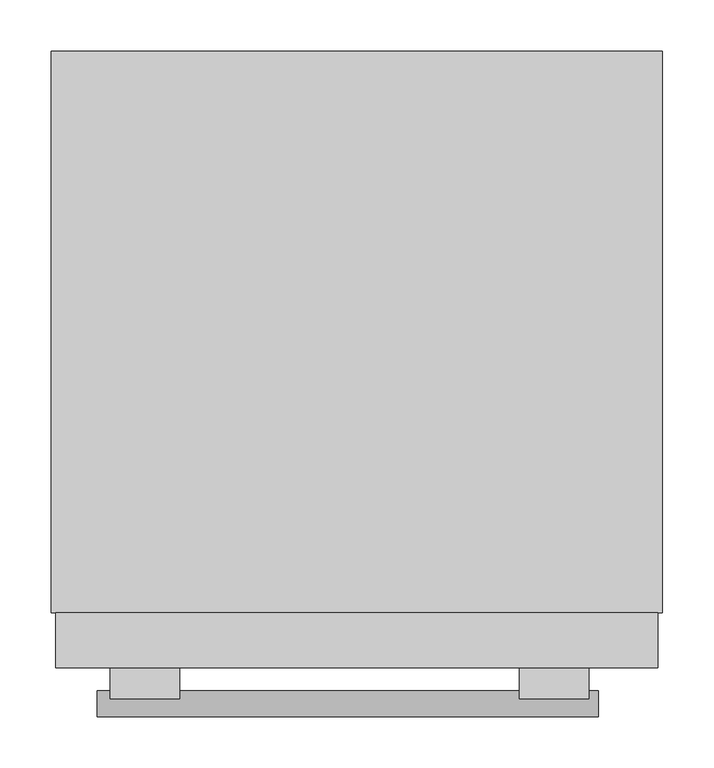
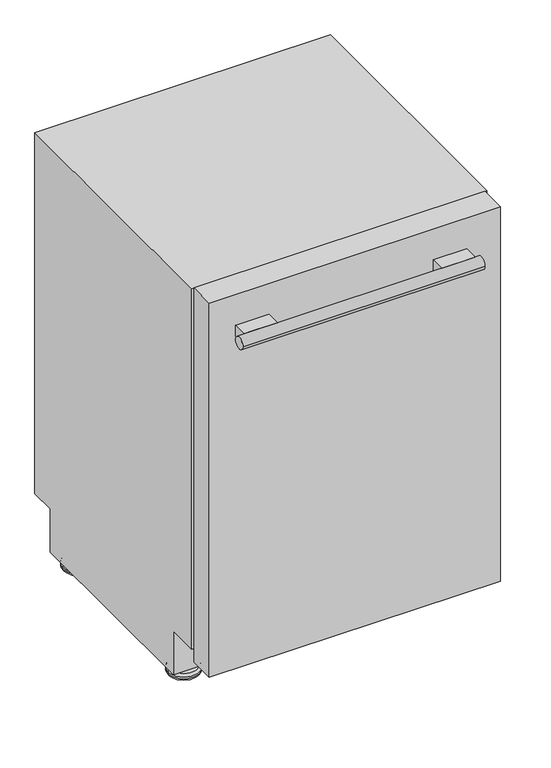
"""IFC4 building model written with IfcOpenShell, lengths in millimetres: proxy geometry."""

import ifcopenshell
import ifcopenshell.guid

model = None  # the IFC model being written
_history = None  # IfcOwnerHistory: only IFC2X3 demands one
_inside = {}  # id of a spatial element -> (the spatial element, [elements in it])
_under = {}  # id of a project, library or spatial element -> (it, [spatial elements below it])
_declared = {}  # id of a project -> (the project, [libraries it declares])
_typed = {}  # id of a type object -> (the type object, [elements of that type])
_made_of = {}  # id of a material, layer set ... -> (it, [elements and type objects made of it])


def new_model(schema):
    """Start an empty IFC model of exactly this schema.

    Asked for "IFC4X3", IfcOpenShell would pick the latest addendum, in which some entities
    have other attributes; the version numbers below select the first issue.
    IFC2X3 requires an IfcOwnerHistory on every rooted entity: one is made here for all.
    """
    global model, _history
    if schema == "IFC4X3":
        model = ifcopenshell.file(schema_version=(4, 3, 0, 0))
    else:
        model = ifcopenshell.file(schema=schema)
    _inside.clear()
    _under.clear()
    _declared.clear()
    _typed.clear()
    _made_of.clear()
    _history = None
    if model.schema == "IFC2X3":
        org = make("IfcOrganization", Name="unknown")
        user = make(
            "IfcPersonAndOrganization",
            ThePerson=make("IfcPerson", FamilyName="unknown"),
            TheOrganization=org,
        )
        app = make(
            "IfcApplication",
            ApplicationDeveloper=org,
            Version="unknown",
            ApplicationFullName="unknown",
            ApplicationIdentifier="unknown",
        )
        _history = make(
            "IfcOwnerHistory",
            OwningUser=user,
            OwningApplication=app,
            ChangeAction="ADDED",
            CreationDate=0,
        )
    return model


def make(cls, **values):
    """One entity of the class cls with the attributes given. An attribute that is None is left unset."""
    return model.create_entity(
        cls, **{name: value for name, value in values.items() if value is not None}
    )


def rooted(cls, **values):
    """An entity with a GlobalId (a new one), such as an element, a storey or a relation."""
    return make(cls, GlobalId=ifcopenshell.guid.new(), OwnerHistory=_history, **values)


def si_unit(unit_type, name, prefix=None):
    """IfcSIUnit, for example si_unit("LENGTHUNIT", "METRE", prefix="MILLI")."""
    return make("IfcSIUnit", UnitType=unit_type, Prefix=prefix, Name=name)


def assignment(units):
    """IfcUnitAssignment: the units of a project."""
    return None if units is None else make("IfcUnitAssignment", Units=units)


def point(xyz):
    """IfcCartesianPoint."""
    return None if xyz is None else make("IfcCartesianPoint", Coordinates=xyz)


def direction(xyz):
    """IfcDirection."""
    return None if xyz is None else make("IfcDirection", DirectionRatios=xyz)


def frame(location, z_axis=None, x_axis=None):
    """IfcAxis2Placement3D, a coordinate frame: its origin and axes. An axis left out is left unset."""
    return make(
        "IfcAxis2Placement3D",
        Location=point(location),
        Axis=direction(z_axis),
        RefDirection=direction(x_axis),
    )


def frame_2d(location, x_axis=None):
    """IfcAxis2Placement2D, a coordinate frame in the plane: its origin and x axis."""
    return make(
        "IfcAxis2Placement2D", Location=point(location), RefDirection=direction(x_axis)
    )


def origin():
    """The frame at (0, 0, 0) with its axes left unset."""
    return frame((0.0, 0.0, 0.0))


def place(relative_to, where):
    """IfcLocalPlacement: puts the frame where relative to a parent placement (None: the world)."""
    return make(
        "IfcLocalPlacement", PlacementRelTo=relative_to, RelativePlacement=where
    )


def context(
    kind, dimensions, precision=None, world=None, true_north=None, identifier=None
):
    """IfcGeometricRepresentationContext, for example the 3D "Model" context."""
    return make(
        "IfcGeometricRepresentationContext",
        ContextIdentifier=identifier,
        ContextType=kind,
        CoordinateSpaceDimension=dimensions,
        Precision=precision,
        WorldCoordinateSystem=world,
        TrueNorth=true_north,
    )


def project(units=None, contexts=None):
    """IfcProject with its units and contexts."""
    return rooted(
        "IfcProject",
        Name="project",
        RepresentationContexts=contexts,
        UnitsInContext=assignment(units),
    )


def spatial(cls, under=None, at=None, **own):
    """A site, building, storey or space (cls), placed at a placement, below another one or the project."""
    s = rooted(cls, ObjectPlacement=at, **own)
    if under is not None:
        _under.setdefault(under.id(), (under, []))[1].append(s)
    return s


def polyline(points):
    """IfcPolyline through the points."""
    return make("IfcPolyline", Points=[point(p) for p in points])


def circle_curve(where, radius):
    """IfcCircle in the frame where."""
    return make("IfcCircle", Position=where, Radius=radius)


def ellipse_curve(where, semi_axis1, semi_axis2):
    """IfcEllipse in the frame where."""
    return make(
        "IfcEllipse", Position=where, SemiAxis1=semi_axis1, SemiAxis2=semi_axis2
    )


def trimmed(basis, trim1, trim2, sense, master):
    """IfcTrimmedCurve: the piece of a basis curve between two trims."""
    return make(
        "IfcTrimmedCurve",
        BasisCurve=basis,
        Trim1=trim1,
        Trim2=trim2,
        SenseAgreement=sense,
        MasterRepresentation=master,
    )


def segment(curve, same_sense, transition):
    """IfcCompositeCurveSegment."""
    return make(
        "IfcCompositeCurveSegment",
        Transition=transition,
        SameSense=same_sense,
        ParentCurve=curve,
    )


def composite_curve(segments, self_intersect=None):
    """IfcCompositeCurve: segments joined end to end."""
    return make("IfcCompositeCurve", Segments=segments, SelfIntersect=self_intersect)


def outline(outer, holes=None, kind="AREA"):
    """IfcArbitraryClosedProfileDef: a profile drawn as a closed curve; with holes, ...WithVoids."""
    if holes is None:
        return make("IfcArbitraryClosedProfileDef", ProfileType=kind, OuterCurve=outer)
    return make(
        "IfcArbitraryProfileDefWithVoids",
        ProfileType=kind,
        OuterCurve=outer,
        InnerCurves=holes,
    )


def extrude(swept, where, along, depth):
    """IfcExtrudedAreaSolid: the profile swept, set in the frame where, extruded along a direction by depth."""
    return make(
        "IfcExtrudedAreaSolid",
        SweptArea=swept,
        Position=where,
        ExtrudedDirection=direction(along),
        Depth=depth,
    )


def faces_of(points, faces, orient=None, outer=None):
    """IfcFace entities. A face is a list of loops; a loop is a list of indices into points, from 0.

    orient and outer hold one flag for each loop. By default every Orientation is true, the
    first loop of a face is its IfcFaceOuterBound and the others are IfcFaceBound.
    """
    made = []
    for i, loops in enumerate(faces):
        bounds = []
        for j, loop in enumerate(loops):
            is_outer = j == 0 if outer is None else outer[i][j]
            bounds.append(
                make(
                    "IfcFaceOuterBound" if is_outer else "IfcFaceBound",
                    Bound=make("IfcPolyLoop", Polygon=[points[k] for k in loop]),
                    Orientation=True if orient is None else orient[i][j],
                )
            )
        made.append(make("IfcFace", Bounds=bounds))
    return made


def faceted_brep(points, faces, orient=None, outer=None, voids=None):
    """IfcFacetedBrep: a solid bounded by flat faces; with voids (closed shells), ...WithVoids."""
    shared = [point(p) for p in points]
    hull = make("IfcClosedShell", CfsFaces=faces_of(shared, faces, orient, outer))
    if voids is None:
        return make("IfcFacetedBrep", Outer=hull)
    return make(
        "IfcFacetedBrepWithVoids",
        Outer=hull,
        Voids=[
            make(cls, CfsFaces=faces_of(shared, fs, o, b)) for cls, fs, o, b in voids
        ],
    )


def shape(context_of_items, identifier, shape_type, items):
    """IfcShapeRepresentation: the items that make up one representation, for example the "Body"."""
    return make(
        "IfcShapeRepresentation",
        ContextOfItems=context_of_items,
        RepresentationIdentifier=identifier,
        RepresentationType=shape_type,
        Items=items,
    )


def source(mapping_origin, context_of_items, identifier, shape_type, items):
    """IfcRepresentationMap: a shape defined once, which mapped items show again and again."""
    return make(
        "IfcRepresentationMap",
        MappingOrigin=mapping_origin,
        MappedRepresentation=shape(context_of_items, identifier, shape_type, items),
    )


def transform(
    local_origin,
    x_axis=None,
    y_axis=None,
    z_axis=None,
    scale=None,
    scale2=None,
    scale3=None,
    uniform=True,
):
    """IfcCartesianTransformationOperator3D, or its non-uniform kind. x_axis, y_axis, z_axis: its Axis1, 2, 3."""
    if uniform:
        return make(
            "IfcCartesianTransformationOperator3D",
            Axis1=direction(x_axis),
            Axis2=direction(y_axis),
            LocalOrigin=point(local_origin),
            Scale=scale,
            Axis3=direction(z_axis),
        )
    return make(
        "IfcCartesianTransformationOperator3DnonUniform",
        Axis1=direction(x_axis),
        Axis2=direction(y_axis),
        LocalOrigin=point(local_origin),
        Scale=scale,
        Axis3=direction(z_axis),
        Scale2=scale2,
        Scale3=scale3,
    )


def mapped(mapping_source, mapping_target):
    """IfcMappedItem: shows the shape of a source again, moved by a transform."""
    return make(
        "IfcMappedItem", MappingSource=mapping_source, MappingTarget=mapping_target
    )


def made_of(thing, what):
    """Note that an element or type object is made of a material, layer set ...; save() writes the relation."""
    if what is not None:
        _made_of.setdefault(what.id(), (what, []))[1].append(thing)
    return thing


def element(
    cls,
    number,
    at=None,
    inside=None,
    cuts=None,
    type_object=None,
    material=None,
    context=None,
    identifier="Body",
    shape_type=None,
    held_by="IfcProductDefinitionShape",
    body=None,
    shapes=None,
    **own,
):
    """One element of the class cls, such as IfcWall. Its Tag is "e" and its number.

    at: its placement. inside: the storey or other place that contains it. cuts: it is an
    opening in that element (IfcRelVoidsElement). A single representation is given by context,
    identifier, shape_type and body (its items); several are given by shapes. held_by: the class
    of the entity that holds the representations. save() writes the other relations.
    """
    e = rooted(cls, Tag="e%d" % number, ObjectPlacement=at, **own)
    if body is not None:
        shapes = [shape(context, identifier, shape_type, body)]
    if shapes is not None:
        e.Representation = make(held_by, Representations=shapes)
    if inside is not None:
        _inside.setdefault(inside.id(), (inside, []))[1].append(e)
    if cuts is not None:
        rooted(
            "IfcRelVoidsElement", RelatingBuildingElement=cuts, RelatedOpeningElement=e
        )
    if type_object is not None:
        _typed.setdefault(type_object.id(), (type_object, []))[1].append(e)
    return made_of(e, material)


def aggregate(whole, parts):
    """IfcRelAggregates: a whole, such as a stair, and the parts it consists of."""
    return rooted("IfcRelAggregates", RelatingObject=whole, RelatedObjects=parts)


def save(model, path):
    """Write the relations noted so far, then the file.

    IfcRelAggregates (storeys below a building ...), IfcRelContainedInSpatialStructure (elements
    in a storey), IfcRelDefinesByType, IfcRelAssociatesMaterial and IfcRelDeclares: one each for
    every whole, place, type object, material and project.
    """
    for whole, parts in _under.values():
        aggregate(whole, parts)
    for where, things in _inside.values():
        rooted(
            "IfcRelContainedInSpatialStructure",
            RelatedElements=things,
            RelatingStructure=where,
        )
    for kind, things in _typed.values():
        rooted("IfcRelDefinesByType", RelatedObjects=things, RelatingType=kind)
    for what, things in _made_of.values():
        rooted("IfcRelAssociatesMaterial", RelatedObjects=things, RelatingMaterial=what)
    for by, libraries in _declared.values():
        rooted("IfcRelDeclares", RelatingContext=by, RelatedDefinitions=libraries)
    model.write(path)


def plane_surface(at):
    """IfcPlane: the flat surface through the origin of the frame at, square to its z axis."""
    return make("IfcPlane", Position=at)


def cylinder_surface(at, radius):
    """IfcCylindricalSurface: all points at the distance radius from the z axis of the frame at."""
    return make("IfcCylindricalSurface", Position=at, Radius=radius)


def revolved_surface(curve, axis_point, axis_direction):
    """IfcSurfaceOfRevolution: the curve turned about the line through axis_point along axis_direction."""
    return make(
        "IfcSurfaceOfRevolution",
        SweptCurve=make("IfcArbitraryOpenProfileDef", ProfileType="CURVE", Curve=curve),
        AxisPosition=make("IfcAxis1Placement", Location=point(axis_point), Axis=direction(axis_direction)),
    )


def advanced_brep(points, edges, surfaces, faces):
    """IfcAdvancedBrep: a solid bounded by faces that lie on surfaces and meet in shared edges.

    An edge is (start, end): straight between two places in points (the first is 0);
    or (start, end, curve); or (start, end, curve, False) where it runs against its curve.
    A face is (place in surfaces, loops), or (place, loops, False) where it looks against
    its surface's normal. A loop lists edges by number (the first is 1), with a minus sign
    where the edge is run from its end to its start. The first loop is the outer one.
    """
    corners = [point(p) for p in points]
    vertices = [make("IfcVertexPoint", VertexGeometry=c) for c in corners]
    made = []
    for start, end, *more in edges:
        made.append(
            make(
                "IfcEdgeCurve",
                EdgeStart=vertices[start],
                EdgeEnd=vertices[end],
                EdgeGeometry=more[0] if more else make("IfcPolyline", Points=[corners[start], corners[end]]),
                SameSense=more[1] if len(more) > 1 else True,
            )
        )
    hull = []
    for where, loops, *sense in faces:
        bounds = []
        for j, loop in enumerate(loops):
            ring = [make("IfcOrientedEdge", EdgeElement=made[abs(k) - 1], Orientation=k > 0) for k in loop]
            bounds.append(
                make(
                    "IfcFaceOuterBound" if j == 0 else "IfcFaceBound",
                    Bound=make("IfcEdgeLoop", EdgeList=ring),
                    Orientation=True,
                )
            )
        hull.append(make("IfcAdvancedFace", Bounds=bounds, FaceSurface=surfaces[where], SameSense=sense[0] if sense else True))
    return make("IfcAdvancedBrep", Outer=make("IfcClosedShell", CfsFaces=hull))


def specialty_equipment_7921b7c7(model_context):
    return source(origin(), model_context, "Body", "SolidModel", [
        extrude(outline(composite_curve([segment(trimmed(circle_curve(frame_2d((-336.8073027, 810.9661461)), 12.7), [point((-331.905439, 799.2502709))], [point((-331.905439, 822.6820214))], True, "CARTESIAN"), True, "CONTINUOUS"), segment(polyline([(-331.905439, 822.6820214), (-301.625, 822.6820214), (-301.625, 799.2502709), (-331.905439, 799.2502709)]), True, "CONTINUOUS")], self_intersect=False)), frame((159.0507653, 0.0, 0.0), z_axis=(1.0, 0.0, 0.0), x_axis=(0.0, 1.0, 0.0)), (0.0, 0.0, 1.0), 67.9617347),
        extrude(outline(composite_curve([segment(trimmed(circle_curve(frame_2d((-336.8073027, 810.9661461)), 12.7), [point((-331.905439, 799.2502709))], [point((-331.905439, 822.6820214))], True, "CARTESIAN"), True, "CONTINUOUS"), segment(polyline([(-331.905439, 822.6820214), (-301.625, 822.6820214), (-301.625, 799.2502709), (-331.905439, 799.2502709)]), True, "CONTINUOUS")], self_intersect=False)), frame((-241.3, 0.0, 0.0), z_axis=(1.0, 0.0, 0.0), x_axis=(0.0, 1.0, 0.0)), (0.0, 0.0, 1.0), 67.9617347),
        extrude(outline(composite_curve([segment(trimmed(circle_curve(frame_2d((-336.8073027, 810.9661461)), 12.7), [point((-349.5073027, 810.9661461))], [point((-324.1073027, 810.9661461))], False, "CARTESIAN"), True, "CONTINUOUS"), segment(trimmed(circle_curve(frame_2d((-336.8073027, 810.9661461)), 12.7), [point((-324.1073027, 810.9661461))], [point((-349.5073027, 810.9661461))], False, "CARTESIAN"), True, "CONTINUOUS")], self_intersect=False)), frame((-254.0, 0.0, 0.0), z_axis=(1.0, 0.0, 0.0), x_axis=(0.0, 1.0, 0.0)), (0.0, 0.0, 1.0), 490.4371813),
        advanced_brep(
        [(234.3141166, 215.9, 13.340945), (289.2462858, 215.9, 13.340945), (272.25625, 215.9, 13.340945), (251.3041524, 215.9, 13.340945), (230.0302012, 215.9, 9.0570296), (293.5302012, 215.9, 9.0570296), (230.0302012, 215.9, 5.2278023), (293.5302012, 215.9, 5.2278023), (235.2580036, 215.9, 0.0), (288.3023989, 215.9, 0.0), (261.7802012, 215.9, 0.0), (251.3041524, 215.9, 24.950763), (272.25625, 215.9, 24.950763), (261.7802012, 215.9, 24.950763)],
        [
            (0, 1, circle_curve(frame((261.7802012, 215.9, 13.340945), z_axis=(0.0, 0.0, 1.0), x_axis=(1.0, 0.0, 0.0)), 27.4660846)),
            (1, 2),
            (2, 3, circle_curve(frame((261.7802012, 215.9, 13.340945), z_axis=(0.0, 0.0, -1.0), x_axis=(1.0, 0.0, 0.0)), 10.4760488)),
            (3, 0),
            (1, 0, circle_curve(frame((261.7802012, 215.9, 13.340945), z_axis=(0.0, 0.0, 1.0), x_axis=(1.0, 0.0, 0.0)), 27.4660846)),
            (3, 2, circle_curve(frame((261.7802012, 215.9, 13.340945), z_axis=(0.0, 0.0, -1.0), x_axis=(1.0, 0.0, 0.0)), 10.4760488)),
            (4, 5, circle_curve(frame((261.7802012, 215.9, 9.0570296), z_axis=(0.0, 0.0, 1.0), x_axis=(1.0, 0.0, 0.0)), 31.75)),
            (5, 1, circle_curve(frame((289.2462858, 215.9, 9.0570296), z_axis=(0.0, -1.0, 0.0), x_axis=(-1.0, 0.0, 0.0)), 4.2839154)),
            (0, 4, circle_curve(frame((234.3141166, 215.9, 9.0570296), z_axis=(0.0, -1.0, 0.0), x_axis=(1.0, 0.0, 0.0)), 4.2839154)),
            (5, 4, circle_curve(frame((261.7802012, 215.9, 9.0570296), z_axis=(0.0, 0.0, 1.0), x_axis=(1.0, 0.0, 0.0)), 31.75)),
            (6, 7, circle_curve(frame((261.7802012, 215.9, 5.2278023), z_axis=(0.0, 0.0, 1.0), x_axis=(1.0, 0.0, 0.0)), 31.75)),
            (7, 5),
            (4, 6),
            (7, 6, circle_curve(frame((261.7802012, 215.9, 5.2278023), z_axis=(0.0, 0.0, 1.0), x_axis=(1.0, 0.0, 0.0)), 31.75)),
            (8, 9, circle_curve(frame((261.7802012, 215.9, 0.0), z_axis=(0.0, 0.0, 1.0), x_axis=(1.0, 0.0, 0.0)), 26.5221977)),
            (9, 7, circle_curve(frame((288.3023989, 215.9, 5.2278023), z_axis=(0.0, -1.0, 0.0), x_axis=(-1.0, 0.0, 0.0)), 5.2278023)),
            (6, 8, circle_curve(frame((235.2580036, 215.9, 5.2278023), z_axis=(0.0, -1.0, 0.0), x_axis=(1.0, 0.0, 0.0)), 5.2278023)),
            (9, 8, circle_curve(frame((261.7802012, 215.9, 0.0), z_axis=(0.0, 0.0, 1.0), x_axis=(1.0, 0.0, 0.0)), 26.5221977)),
            (10, 9),
            (8, 10),
            (11, 12, circle_curve(frame((261.7802012, 215.9, 24.950763), z_axis=(0.0, 0.0, 1.0), x_axis=(1.0, 0.0, 0.0)), 10.4760488)),
            (12, 13),
            (13, 11),
            (12, 11, circle_curve(frame((261.7802012, 215.9, 24.950763), z_axis=(0.0, 0.0, 1.0), x_axis=(1.0, 0.0, 0.0)), 10.4760488)),
            (2, 12),
            (11, 3),
        ],
        [
            plane_surface(frame((261.7802012, 215.9, 13.340945), z_axis=(0.0, 0.0, 1.0), x_axis=(1.0, 0.0, 0.0))),
            revolved_surface(trimmed(ellipse_curve(frame((289.2462858, 215.9, 9.0570296), z_axis=(0.0, 1.0, 0.0), x_axis=(-1.0, 0.0, 0.0)), 4.2839154, 4.2839154), [point((289.2462858, 215.9, 13.340945))], [point((293.5302012, 215.9, 9.0570296))], True, "CARTESIAN"), (261.7802012, 215.9, 8.6420193), (0.0, 0.0, -1.0)),
            cylinder_surface(frame((261.7802012, 215.9, 8.6420193), z_axis=(0.0, 0.0, -1.0), x_axis=(1.0, 0.0, 0.0)), 31.75),
            revolved_surface(trimmed(ellipse_curve(frame((288.3023989, 215.9, 5.2278023), z_axis=(0.0, 1.0, 0.0), x_axis=(-1.0, 0.0, 0.0)), 5.2278023, 5.2278023), [point((293.5302012, 215.9, 5.2278023))], [point((288.3023989, 215.9, 0.0))], True, "CARTESIAN"), (261.7802012, 215.9, 8.6420193), (0.0, 0.0, -1.0)),
            plane_surface(frame((261.7802012, 215.9, 0.0), z_axis=(0.0, 0.0, -1.0), x_axis=(1.0, 0.0, 0.0))),
            plane_surface(frame((261.7802012, 215.9, 24.950763), z_axis=(0.0, 0.0, 1.0), x_axis=(1.0, 0.0, 0.0))),
            cylinder_surface(frame((261.7802012, 215.9, 8.6420193), z_axis=(0.0, 0.0, -1.0), x_axis=(1.0, 0.0, 0.0)), 10.4760488),
        ],
        [
            (0, [[1, 2, 3, 4]]),
            (0, [[5, -4, 6, -2]]),
            (1, [[7, 8, -1, 9]]),
            (1, [[10, -9, -5, -8]]),
            (2, [[11, 12, -7, 13]]),
            (2, [[14, -13, -10, -12]]),
            (3, [[15, 16, -11, 17]]),
            (3, [[18, -17, -14, -16]]),
            (4, [[19, -15, 20]]),
            (4, [[-20, -18, -19]]),
            (5, [[21, 22, 23]]),
            (5, [[24, -23, -22]]),
            (6, [[-3, 25, -21, 26]]),
            (6, [[-6, -26, -24, -25]]),
        ],
    ),
        advanced_brep(
        [(251.3041524, -152.4, 13.340945), (272.25625, -152.4, 13.340945), (289.2462858, -152.4, 13.340945), (234.3141166, -152.4, 13.340945), (293.5302012, -152.4, 9.0570296), (230.0302012, -152.4, 9.0570296), (293.5302012, -152.4, 5.2278023), (230.0302012, -152.4, 5.2278023), (288.3023989, -152.4, 0.0), (235.2580036, -152.4, 0.0), (261.7802012, -152.4, 0.0), (261.7802012, -152.4, 24.950763), (272.25625, -152.4, 24.950763), (251.3041524, -152.4, 24.950763)],
        [
            (0, 1, circle_curve(frame((261.7802012, -152.4, 13.340945), z_axis=(0.0, 0.0, -1.0), x_axis=(1.0, 0.0, 0.0)), 10.4760488)),
            (1, 2),
            (2, 3, circle_curve(frame((261.7802012, -152.4, 13.340945), z_axis=(0.0, 0.0, 1.0), x_axis=(1.0, 0.0, 0.0)), 27.4660846)),
            (3, 0),
            (1, 0, circle_curve(frame((261.7802012, -152.4, 13.340945), z_axis=(0.0, 0.0, -1.0), x_axis=(1.0, 0.0, 0.0)), 10.4760488)),
            (3, 2, circle_curve(frame((261.7802012, -152.4, 13.340945), z_axis=(0.0, 0.0, 1.0), x_axis=(1.0, 0.0, 0.0)), 27.4660846)),
            (2, 4, circle_curve(frame((289.2462858, -152.4, 9.0570296), z_axis=(0.0, 1.0, 0.0), x_axis=(-1.0, 0.0, 0.0)), 4.2839154)),
            (4, 5, circle_curve(frame((261.7802012, -152.4, 9.0570296), z_axis=(0.0, 0.0, 1.0), x_axis=(1.0, 0.0, 0.0)), 31.75)),
            (5, 3, circle_curve(frame((234.3141166, -152.4, 9.0570296), z_axis=(0.0, 1.0, 0.0), x_axis=(1.0, 0.0, 0.0)), 4.2839154)),
            (5, 4, circle_curve(frame((261.7802012, -152.4, 9.0570296), z_axis=(0.0, 0.0, 1.0), x_axis=(1.0, 0.0, 0.0)), 31.75)),
            (4, 6),
            (6, 7, circle_curve(frame((261.7802012, -152.4, 5.2278023), z_axis=(0.0, 0.0, 1.0), x_axis=(1.0, 0.0, 0.0)), 31.75)),
            (7, 5),
            (7, 6, circle_curve(frame((261.7802012, -152.4, 5.2278023), z_axis=(0.0, 0.0, 1.0), x_axis=(1.0, 0.0, 0.0)), 31.75)),
            (6, 8, circle_curve(frame((288.3023989, -152.4, 5.2278023), z_axis=(0.0, 1.0, 0.0), x_axis=(-1.0, 0.0, 0.0)), 5.2278023)),
            (8, 9, circle_curve(frame((261.7802012, -152.4, 0.0), z_axis=(0.0, 0.0, 1.0), x_axis=(1.0, 0.0, 0.0)), 26.5221977)),
            (9, 7, circle_curve(frame((235.2580036, -152.4, 5.2278023), z_axis=(0.0, 1.0, 0.0), x_axis=(1.0, 0.0, 0.0)), 5.2278023)),
            (9, 8, circle_curve(frame((261.7802012, -152.4, 0.0), z_axis=(0.0, 0.0, 1.0), x_axis=(1.0, 0.0, 0.0)), 26.5221977)),
            (8, 10),
            (10, 9),
            (11, 12),
            (12, 13, circle_curve(frame((261.7802012, -152.4, 24.950763), z_axis=(0.0, 0.0, 1.0), x_axis=(1.0, 0.0, 0.0)), 10.4760488)),
            (13, 11),
            (13, 12, circle_curve(frame((261.7802012, -152.4, 24.950763), z_axis=(0.0, 0.0, 1.0), x_axis=(1.0, 0.0, 0.0)), 10.4760488)),
            (12, 1),
            (0, 13),
        ],
        [
            plane_surface(frame((261.7802012, -152.4, 13.340945), z_axis=(0.0, 0.0, 1.0), x_axis=(1.0, 0.0, 0.0))),
            revolved_surface(trimmed(ellipse_curve(frame((289.2462858, -152.4, 9.0570296), z_axis=(0.0, -1.0, 0.0), x_axis=(-1.0, 0.0, 0.0)), 4.2839154, 4.2839154), [point((293.5302012, -152.4, 9.0570296))], [point((289.2462858, -152.4, 13.340945))], True, "CARTESIAN"), (261.7802012, -152.4, 8.6420193), (0.0, 0.0, 1.0)),
            cylinder_surface(frame((261.7802012, -152.4, 8.6420193), z_axis=(0.0, 0.0, 1.0), x_axis=(1.0, 0.0, 0.0)), 31.75),
            revolved_surface(trimmed(ellipse_curve(frame((288.3023989, -152.4, 5.2278023), z_axis=(0.0, -1.0, 0.0), x_axis=(-1.0, 0.0, 0.0)), 5.2278023, 5.2278023), [point((288.3023989, -152.4, 0.0))], [point((293.5302012, -152.4, 5.2278023))], True, "CARTESIAN"), (261.7802012, -152.4, 8.6420193), (0.0, 0.0, 1.0)),
            plane_surface(frame((261.7802012, -152.4, 0.0), z_axis=(0.0, 0.0, -1.0), x_axis=(1.0, 0.0, 0.0))),
            plane_surface(frame((261.7802012, -152.4, 24.950763), z_axis=(0.0, 0.0, 1.0), x_axis=(1.0, 0.0, 0.0))),
            cylinder_surface(frame((261.7802012, -152.4, 8.6420193), z_axis=(0.0, 0.0, 1.0), x_axis=(1.0, 0.0, 0.0)), 10.4760488),
        ],
        [
            (0, [[1, 2, 3, 4]]),
            (0, [[5, -4, 6, -2]]),
            (1, [[-3, 7, 8, 9]]),
            (1, [[-6, -9, 10, -7]]),
            (2, [[-8, 11, 12, 13]]),
            (2, [[-10, -13, 14, -11]]),
            (3, [[-12, 15, 16, 17]]),
            (3, [[-14, -17, 18, -15]]),
            (4, [[-16, 19, 20]]),
            (4, [[-18, -20, -19]]),
            (5, [[21, 22, 23]]),
            (5, [[-23, 24, -21]]),
            (6, [[-22, 25, -1, 26]]),
            (6, [[-24, -26, -5, -25]]),
        ],
    ),
        advanced_brep(
        [(-249.7166524, 215.9, 13.340945), (-270.66875, 215.9, 13.340945), (-287.6587858, 215.9, 13.340945), (-232.7266166, 215.9, 13.340945), (-291.9427012, 215.9, 9.0570296), (-228.4427012, 215.9, 9.0570296), (-291.9427012, 215.9, 5.2278023), (-228.4427012, 215.9, 5.2278023), (-286.7148989, 215.9, 0.0), (-233.6705036, 215.9, 0.0), (-260.1927012, 215.9, 0.0), (-260.1927012, 215.9, 24.950763), (-270.66875, 215.9, 24.950763), (-249.7166524, 215.9, 24.950763)],
        [
            (0, 1, circle_curve(frame((-260.1927012, 215.9, 13.340945), z_axis=(0.0, 0.0, -1.0), x_axis=(-1.0, 0.0, 0.0)), 10.4760488)),
            (1, 2),
            (2, 3, circle_curve(frame((-260.1927012, 215.9, 13.340945), z_axis=(0.0, 0.0, 1.0), x_axis=(-1.0, 0.0, 0.0)), 27.4660846)),
            (3, 0),
            (1, 0, circle_curve(frame((-260.1927012, 215.9, 13.340945), z_axis=(0.0, 0.0, -1.0), x_axis=(-1.0, 0.0, 0.0)), 10.4760488)),
            (3, 2, circle_curve(frame((-260.1927012, 215.9, 13.340945), z_axis=(0.0, 0.0, 1.0), x_axis=(-1.0, 0.0, 0.0)), 27.4660846)),
            (2, 4, circle_curve(frame((-287.6587858, 215.9, 9.0570296), z_axis=(0.0, -1.0, 0.0), x_axis=(1.0, 0.0, 0.0)), 4.2839154)),
            (4, 5, circle_curve(frame((-260.1927012, 215.9, 9.0570296), z_axis=(0.0, 0.0, 1.0), x_axis=(-1.0, 0.0, 0.0)), 31.75)),
            (5, 3, circle_curve(frame((-232.7266166, 215.9, 9.0570296), z_axis=(0.0, -1.0, 0.0), x_axis=(-1.0, 0.0, 0.0)), 4.2839154)),
            (5, 4, circle_curve(frame((-260.1927012, 215.9, 9.0570296), z_axis=(0.0, 0.0, 1.0), x_axis=(-1.0, 0.0, 0.0)), 31.75)),
            (4, 6),
            (6, 7, circle_curve(frame((-260.1927012, 215.9, 5.2278023), z_axis=(0.0, 0.0, 1.0), x_axis=(-1.0, 0.0, 0.0)), 31.75)),
            (7, 5),
            (7, 6, circle_curve(frame((-260.1927012, 215.9, 5.2278023), z_axis=(0.0, 0.0, 1.0), x_axis=(-1.0, 0.0, 0.0)), 31.75)),
            (6, 8, circle_curve(frame((-286.7148989, 215.9, 5.2278023), z_axis=(0.0, -1.0, 0.0), x_axis=(1.0, 0.0, 0.0)), 5.2278023)),
            (8, 9, circle_curve(frame((-260.1927012, 215.9, 0.0), z_axis=(0.0, 0.0, 1.0), x_axis=(-1.0, 0.0, 0.0)), 26.5221977)),
            (9, 7, circle_curve(frame((-233.6705036, 215.9, 5.2278023), z_axis=(0.0, -1.0, 0.0), x_axis=(-1.0, 0.0, 0.0)), 5.2278023)),
            (9, 8, circle_curve(frame((-260.1927012, 215.9, 0.0), z_axis=(0.0, 0.0, 1.0), x_axis=(-1.0, 0.0, 0.0)), 26.5221977)),
            (8, 10),
            (10, 9),
            (11, 12),
            (12, 13, circle_curve(frame((-260.1927012, 215.9, 24.950763), z_axis=(0.0, 0.0, 1.0), x_axis=(-1.0, 0.0, 0.0)), 10.4760488)),
            (13, 11),
            (13, 12, circle_curve(frame((-260.1927012, 215.9, 24.950763), z_axis=(0.0, 0.0, 1.0), x_axis=(-1.0, 0.0, 0.0)), 10.4760488)),
            (12, 1),
            (0, 13),
        ],
        [
            plane_surface(frame((-260.1927012, 215.9, 13.340945), z_axis=(0.0, 0.0, 1.0), x_axis=(-1.0, 0.0, 0.0))),
            revolved_surface(trimmed(ellipse_curve(frame((-287.6587858, 215.9, 9.0570296), z_axis=(0.0, 1.0, 0.0), x_axis=(1.0, 0.0, 0.0)), 4.2839154, 4.2839154), [point((-291.9427012, 215.9, 9.0570296))], [point((-287.6587858, 215.9, 13.340945))], True, "CARTESIAN"), (-260.1927012, 215.9, 8.6420193), (0.0, 0.0, 1.0)),
            cylinder_surface(frame((-260.1927012, 215.9, 8.6420193), z_axis=(0.0, 0.0, 1.0), x_axis=(-1.0, 0.0, 0.0)), 31.75),
            revolved_surface(trimmed(ellipse_curve(frame((-286.7148989, 215.9, 5.2278023), z_axis=(0.0, 1.0, 0.0), x_axis=(1.0, 0.0, 0.0)), 5.2278023, 5.2278023), [point((-286.7148989, 215.9, 0.0))], [point((-291.9427012, 215.9, 5.2278023))], True, "CARTESIAN"), (-260.1927012, 215.9, 8.6420193), (0.0, 0.0, 1.0)),
            plane_surface(frame((-260.1927012, 215.9, 0.0), z_axis=(0.0, 0.0, -1.0), x_axis=(-1.0, 0.0, 0.0))),
            plane_surface(frame((-260.1927012, 215.9, 24.950763), z_axis=(0.0, 0.0, 1.0), x_axis=(-1.0, 0.0, 0.0))),
            cylinder_surface(frame((-260.1927012, 215.9, 8.6420193), z_axis=(0.0, 0.0, 1.0), x_axis=(-1.0, 0.0, 0.0)), 10.4760488),
        ],
        [
            (0, [[1, 2, 3, 4]]),
            (0, [[5, -4, 6, -2]]),
            (1, [[-3, 7, 8, 9]]),
            (1, [[-6, -9, 10, -7]]),
            (2, [[-8, 11, 12, 13]]),
            (2, [[-10, -13, 14, -11]]),
            (3, [[-12, 15, 16, 17]]),
            (3, [[-14, -17, 18, -15]]),
            (4, [[-16, 19, 20]]),
            (4, [[-18, -20, -19]]),
            (5, [[21, 22, 23]]),
            (5, [[-23, 24, -21]]),
            (6, [[-22, 25, -1, 26]]),
            (6, [[-24, -26, -5, -25]]),
        ],
    ),
        advanced_brep(
        [(-232.7266166, -152.4, 13.340945), (-287.6587858, -152.4, 13.340945), (-270.66875, -152.4, 13.340945), (-249.7166524, -152.4, 13.340945), (-228.4427012, -152.4, 9.0570296), (-291.9427012, -152.4, 9.0570296), (-228.4427012, -152.4, 5.2278023), (-291.9427012, -152.4, 5.2278023), (-233.6705036, -152.4, 0.0), (-286.7148989, -152.4, 0.0), (-260.1927012, -152.4, 0.0), (-249.7166524, -152.4, 24.950763), (-270.66875, -152.4, 24.950763), (-260.1927012, -152.4, 24.950763)],
        [
            (0, 1, circle_curve(frame((-260.1927012, -152.4, 13.340945), z_axis=(0.0, 0.0, 1.0), x_axis=(-1.0, 0.0, 0.0)), 27.4660846)),
            (1, 2),
            (2, 3, circle_curve(frame((-260.1927012, -152.4, 13.340945), z_axis=(0.0, 0.0, -1.0), x_axis=(-1.0, 0.0, 0.0)), 10.4760488)),
            (3, 0),
            (1, 0, circle_curve(frame((-260.1927012, -152.4, 13.340945), z_axis=(0.0, 0.0, 1.0), x_axis=(-1.0, 0.0, 0.0)), 27.4660846)),
            (3, 2, circle_curve(frame((-260.1927012, -152.4, 13.340945), z_axis=(0.0, 0.0, -1.0), x_axis=(-1.0, 0.0, 0.0)), 10.4760488)),
            (4, 5, circle_curve(frame((-260.1927012, -152.4, 9.0570296), z_axis=(0.0, 0.0, 1.0), x_axis=(-1.0, 0.0, 0.0)), 31.75)),
            (5, 1, circle_curve(frame((-287.6587858, -152.4, 9.0570296), z_axis=(0.0, 1.0, 0.0), x_axis=(1.0, 0.0, 0.0)), 4.2839154)),
            (0, 4, circle_curve(frame((-232.7266166, -152.4, 9.0570296), z_axis=(0.0, 1.0, 0.0), x_axis=(-1.0, 0.0, 0.0)), 4.2839154)),
            (5, 4, circle_curve(frame((-260.1927012, -152.4, 9.0570296), z_axis=(0.0, 0.0, 1.0), x_axis=(-1.0, 0.0, 0.0)), 31.75)),
            (6, 7, circle_curve(frame((-260.1927012, -152.4, 5.2278023), z_axis=(0.0, 0.0, 1.0), x_axis=(-1.0, 0.0, 0.0)), 31.75)),
            (7, 5),
            (4, 6),
            (7, 6, circle_curve(frame((-260.1927012, -152.4, 5.2278023), z_axis=(0.0, 0.0, 1.0), x_axis=(-1.0, 0.0, 0.0)), 31.75)),
            (8, 9, circle_curve(frame((-260.1927012, -152.4, 0.0), z_axis=(0.0, 0.0, 1.0), x_axis=(-1.0, 0.0, 0.0)), 26.5221977)),
            (9, 7, circle_curve(frame((-286.7148989, -152.4, 5.2278023), z_axis=(0.0, 1.0, 0.0), x_axis=(1.0, 0.0, 0.0)), 5.2278023)),
            (6, 8, circle_curve(frame((-233.6705036, -152.4, 5.2278023), z_axis=(0.0, 1.0, 0.0), x_axis=(-1.0, 0.0, 0.0)), 5.2278023)),
            (9, 8, circle_curve(frame((-260.1927012, -152.4, 0.0), z_axis=(0.0, 0.0, 1.0), x_axis=(-1.0, 0.0, 0.0)), 26.5221977)),
            (10, 9),
            (8, 10),
            (11, 12, circle_curve(frame((-260.1927012, -152.4, 24.950763), z_axis=(0.0, 0.0, 1.0), x_axis=(-1.0, 0.0, 0.0)), 10.4760488)),
            (12, 13),
            (13, 11),
            (12, 11, circle_curve(frame((-260.1927012, -152.4, 24.950763), z_axis=(0.0, 0.0, 1.0), x_axis=(-1.0, 0.0, 0.0)), 10.4760488)),
            (2, 12),
            (11, 3),
        ],
        [
            plane_surface(frame((-260.1927012, -152.4, 13.340945), z_axis=(0.0, 0.0, 1.0), x_axis=(-1.0, 0.0, 0.0))),
            revolved_surface(trimmed(ellipse_curve(frame((-287.6587858, -152.4, 9.0570296), z_axis=(0.0, -1.0, 0.0), x_axis=(1.0, 0.0, 0.0)), 4.2839154, 4.2839154), [point((-287.6587858, -152.4, 13.340945))], [point((-291.9427012, -152.4, 9.0570296))], True, "CARTESIAN"), (-260.1927012, -152.4, 8.6420193), (0.0, 0.0, -1.0)),
            cylinder_surface(frame((-260.1927012, -152.4, 8.6420193), z_axis=(0.0, 0.0, -1.0), x_axis=(-1.0, 0.0, 0.0)), 31.75),
            revolved_surface(trimmed(ellipse_curve(frame((-286.7148989, -152.4, 5.2278023), z_axis=(0.0, -1.0, 0.0), x_axis=(1.0, 0.0, 0.0)), 5.2278023, 5.2278023), [point((-291.9427012, -152.4, 5.2278023))], [point((-286.7148989, -152.4, 0.0))], True, "CARTESIAN"), (-260.1927012, -152.4, 8.6420193), (0.0, 0.0, -1.0)),
            plane_surface(frame((-260.1927012, -152.4, 0.0), z_axis=(0.0, 0.0, -1.0), x_axis=(-1.0, 0.0, 0.0))),
            plane_surface(frame((-260.1927012, -152.4, 24.950763), z_axis=(0.0, 0.0, 1.0), x_axis=(-1.0, 0.0, 0.0))),
            cylinder_surface(frame((-260.1927012, -152.4, 8.6420193), z_axis=(0.0, 0.0, -1.0), x_axis=(-1.0, 0.0, 0.0)), 10.4760488),
        ],
        [
            (0, [[1, 2, 3, 4]]),
            (0, [[5, -4, 6, -2]]),
            (1, [[7, 8, -1, 9]]),
            (1, [[10, -9, -5, -8]]),
            (2, [[11, 12, -7, 13]]),
            (2, [[14, -13, -10, -12]]),
            (3, [[15, 16, -11, 17]]),
            (3, [[18, -17, -14, -16]]),
            (4, [[19, -15, 20]]),
            (4, [[-20, -18, -19]]),
            (5, [[21, 22, 23]]),
            (5, [[24, -23, -22]]),
            (6, [[-3, 25, -21, 26]]),
            (6, [[-6, -26, -24, -25]]),
        ],
    ),
        extrude(outline(polyline([(-294.48125, -301.625), (-294.48125, -247.65), (294.48125, -247.65), (294.48125, -301.625), (-294.48125, -301.625)])), frame((0.0, 0.0, 88.2435244), z_axis=(0.0, 0.0, 1.0), x_axis=(1.0, 0.0, 0.0)), (0.0, 0.0, 1.0), 800.7564756),
        faceted_brep([(299.24375, -247.65, 889.0), (299.24375, -247.65, 117.475), (299.24375, -184.15, 117.475), (299.24375, -184.15, 24.950763), (299.24375, 247.65, 24.950763), (299.24375, 247.65, 117.475), (299.24375, 301.625, 117.475), (299.24375, 301.625, 889.0), (265.8643168, -247.65, 853.5957882), (265.8643168, 279.4, 853.5957882), (265.8643168, 279.4, 130.175), (265.8643168, 222.25, 130.175), (265.8643168, 222.25, 53.975), (265.8643168, -171.45, 53.975), (265.8643168, -171.45, 136.525), (265.8643168, -247.65, 136.525), (-299.24375, 301.625, 889.0), (-299.24375, -247.65, 889.0), (-299.24375, 301.625, 117.475), (-299.24375, 247.65, 117.475), (-299.24375, 247.65, 24.950763), (-299.24375, -184.15, 24.950763), (-299.24375, -184.15, 117.475), (-299.24375, -247.65, 117.475), (-265.8643168, -247.65, 136.525), (-265.8643168, -247.65, 853.5957882), (-265.8643168, 279.4, 853.5957882), (-265.8643168, -171.45, 136.525), (-265.8643168, -171.45, 53.975), (-265.8643168, 222.25, 53.975), (-265.8643168, 222.25, 130.175), (-265.8643168, 279.4, 130.175)], [[[0, 1, 2, 3, 4, 5, 6, 7]], [[8, 9, 10, 11, 12, 13, 14, 15]], [[0, 7, 16, 17]], [[7, 6, 18, 16]], [[6, 5, 19, 18]], [[5, 4, 20, 19]], [[4, 3, 21, 20]], [[21, 3, 2, 22]], [[22, 2, 1, 23]], [[23, 1, 0, 17], [8, 15, 24, 25]], [[8, 25, 26, 9]], [[17, 16, 18, 19, 20, 21, 22, 23]], [[26, 25, 24, 27, 28, 29, 30, 31]], [[11, 30, 29, 12]], [[30, 11, 10, 31]], [[31, 10, 9, 26]], [[24, 15, 14, 27]], [[27, 14, 13, 28]], [[28, 13, 12, 29]]]),
    ])


if __name__ == "__main__":
    model = new_model("IFC4")
    model_context = context("Model", 3, world=origin())
    ifc_project = project(units=[si_unit("LENGTHUNIT", "METRE", prefix="MILLI")], contexts=[model_context])
    site = spatial("IfcSite", under=ifc_project)
    building = spatial("IfcBuilding", under=site)
    placement = place(None, origin())
    specialty_equipment_shape = specialty_equipment_7921b7c7(model_context)
    element("IfcBuildingElementProxy", 1, Name="Specialty Equipment", at=placement, inside=building, context=model_context, shape_type="MappedRepresentation", body=[
        mapped(specialty_equipment_shape, transform((0.0, 0.0, 0.0), x_axis=(1.0, 0.0, 0.0), y_axis=(0.0, 1.0, 0.0), z_axis=(0.0, 0.0, 1.0))),
    ])
    save(model, "model.ifc")
